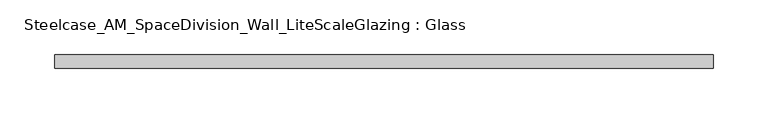
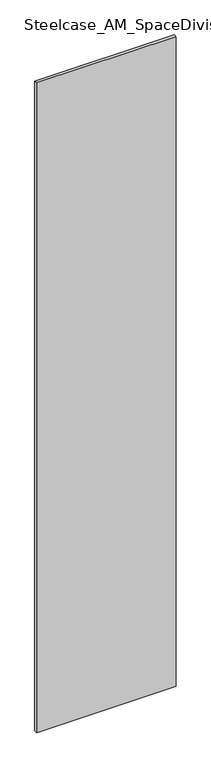
"""IFC4 building model written with IfcOpenShell, lengths in millimetres: plate geometry, Steelcase_AM_SpaceDivision_Wall_LiteScaleGlazing : Glass."""

from ifc_helpers import new_model, si_unit, origin, origin_with_axes, place, context, project, spatial, polyline, outline, extrude, source, transform, mapped, element, save


def steelcase_am_spacedivision_wall_litescaleglazing_glass_bbed0b99(model_context):
    return source(origin(), model_context, "Body", "SweptSolid", [
        extrude(outline(polyline([(-301.7868074, -6.349956), (-301.7868074, 6.3502015), (301.7868074, 6.3502015), (301.7868074, -6.349956), (-301.7868074, -6.349956)])), origin_with_axes(), (0.0, 0.0, 1.0), 2970.784),
    ])


if __name__ == "__main__":
    model = new_model("IFC4")
    model_context = context("Model", 3, world=origin())
    ifc_project = project(units=[si_unit("LENGTHUNIT", "METRE", prefix="MILLI")], contexts=[model_context])
    site = spatial("IfcSite", under=ifc_project)
    building = spatial("IfcBuilding", under=site)
    placement = place(None, origin())
    steelcase_am_spacedivision_wall_litescaleglazing_glass_shape = steelcase_am_spacedivision_wall_litescaleglazing_glass_bbed0b99(model_context)
    element("IfcPlate", 1, ObjectType="Steelcase_AM_SpaceDivision_Wall_LiteScaleGlazing : Glass", at=placement, inside=building, context=model_context, shape_type="MappedRepresentation", body=[
        mapped(steelcase_am_spacedivision_wall_litescaleglazing_glass_shape, transform((0.0, 0.0, 0.0), x_axis=(1.0, 0.0, 0.0), y_axis=(0.0, 1.0, 0.0), z_axis=(0.0, 0.0, 1.0))),
    ])
    save(model, "model.ifc")
